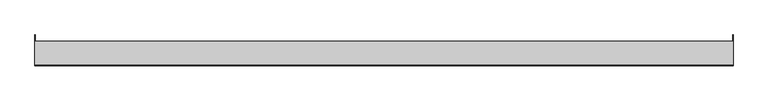
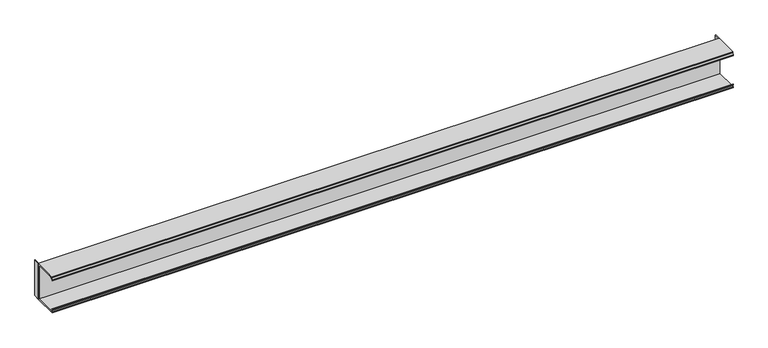
"""IFC4 building model written with IfcOpenShell, lengths in millimetres: furniture geometry."""

from ifc_helpers import new_model, si_unit, frame, origin, place, context, project, spatial, polyline, outline, extrude, source, transform, mapped, element, save


def furniture_70e09e03(model_context):
    return source(origin(), model_context, "Body", "SweptSolid", [
        extrude(outline(polyline([(-111.1123009, 1060.45), (-111.1123009, 992.98125), (-153.9875, 992.98125), (-153.9875, 994.9624517), (-151.1172991, 994.9624517), (-153.9875, 997.604051), (-153.9875, 999.7122527), (-153.1650166, 999.7122527), (-148.0041722, 994.9624517), (-113.093501, 994.9624517), (-113.093501, 1058.4688), (-148.0041761, 1058.4688), (-153.1650166, 1053.7190002), (-153.9875, 1053.7190002), (-153.9875, 1055.8272001), (-151.1172991, 1058.4688), (-152.4127006, 1058.4688), (-152.4127006, 1060.45), (-111.1123009, 1060.45)])), frame((-609.6, 0.0, 0.0), z_axis=(1.0, 0.0, 0.0), x_axis=(0.0, 1.0, 0.0)), (0.0, 0.0, 1.0), 1219.2),
        extrude(outline(polyline([(609.6, -111.1123009), (608.80625, -111.1123009), (608.80625, -100.0125), (609.6, -100.0125), (609.6, -111.1123009)])), frame((0.0, 0.0, 992.98125), z_axis=(0.0, 0.0, 1.0), x_axis=(1.0, 0.0, 0.0)), (0.0, 0.0, 1.0), 67.46875),
        extrude(outline(polyline([(-609.6, -100.0125), (-608.80625, -100.0125), (-608.80625, -111.1123009), (-609.6, -111.1123009), (-609.6, -100.0125)])), frame((0.0, 0.0, 992.98125), z_axis=(0.0, 0.0, 1.0), x_axis=(1.0, 0.0, 0.0)), (0.0, 0.0, 1.0), 67.46875),
    ])


if __name__ == "__main__":
    model = new_model("IFC4")
    model_context = context("Model", 3, world=origin())
    ifc_project = project(units=[si_unit("LENGTHUNIT", "METRE", prefix="MILLI")], contexts=[model_context])
    site = spatial("IfcSite", under=ifc_project)
    building = spatial("IfcBuilding", under=site)
    placement = place(None, origin())
    furniture_shape = furniture_70e09e03(model_context)
    element("IfcFurniture", 1, at=placement, inside=building, context=model_context, shape_type="MappedRepresentation", body=[
        mapped(furniture_shape, transform((0.0, 0.0, 0.0), x_axis=(1.0, 0.0, 0.0), y_axis=(0.0, 1.0, 0.0), z_axis=(0.0, 0.0, 1.0))),
    ])
    save(model, "model.ifc")
